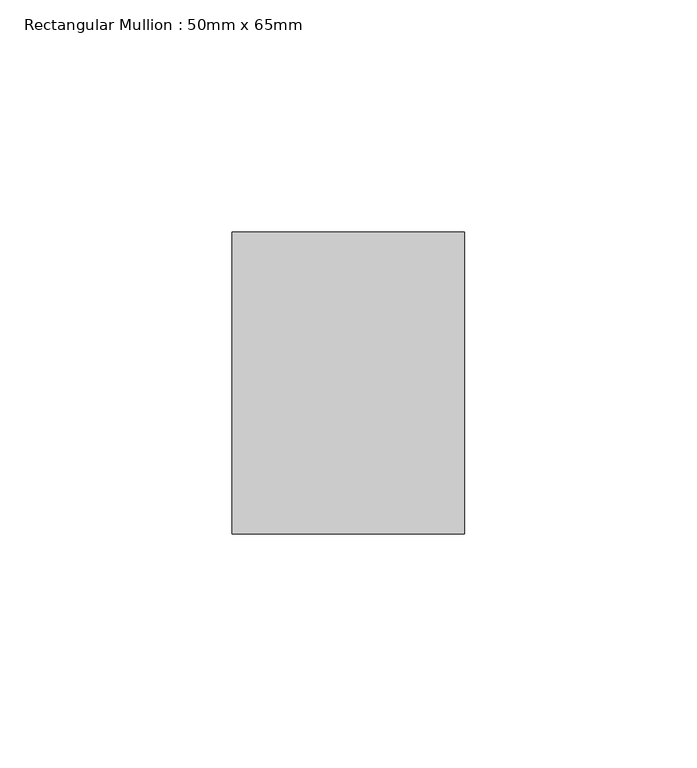
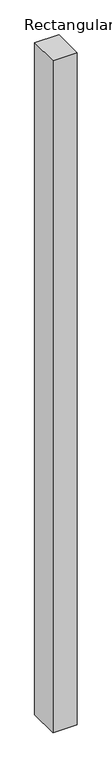
"""IFC4 building model written with IfcOpenShell, lengths in millimetres: member geometry, Rectangular Mullion : 50mm x 65mm."""

from ifc_helpers import new_model, si_unit, frame, origin, place, context, project, spatial, polyline, outline, extrude, source, transform, mapped, element, save


def rectangular_mullion_50mm_x_65mm_be127422(model_context):
    return source(origin(), model_context, "Body", "SweptSolid", [
        extrude(outline(polyline([(25.0, 32.5), (25.0, -32.5), (-25.0, -32.5), (-25.0, 32.5), (25.0, 32.5)])), frame((0.0, 0.0, -1473.7159959), z_axis=(0.0, 0.0, 1.0), x_axis=(1.0, 0.0, 0.0)), (0.0, 0.0, 1.0), 1473.7159959),
    ])


if __name__ == "__main__":
    model = new_model("IFC4")
    model_context = context("Model", 3, world=origin())
    ifc_project = project(units=[si_unit("LENGTHUNIT", "METRE", prefix="MILLI")], contexts=[model_context])
    site = spatial("IfcSite", under=ifc_project)
    building = spatial("IfcBuilding", under=site)
    placement = place(None, origin())
    rectangular_mullion_50mm_x_65mm_shape = rectangular_mullion_50mm_x_65mm_be127422(model_context)
    element("IfcMember", 1, ObjectType="Rectangular Mullion : 50mm x 65mm", at=placement, inside=building, context=model_context, shape_type="MappedRepresentation", body=[
        mapped(rectangular_mullion_50mm_x_65mm_shape, transform((0.0, 0.0, 0.0), x_axis=(1.0, 0.0, 0.0), y_axis=(0.0, 1.0, 0.0), z_axis=(0.0, 0.0, 1.0))),
    ])
    save(model, "model.ifc")
